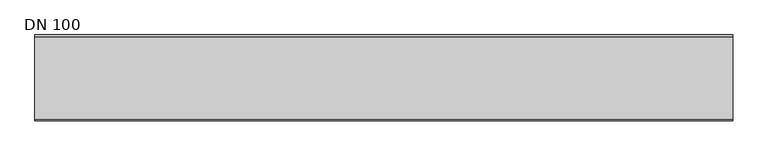
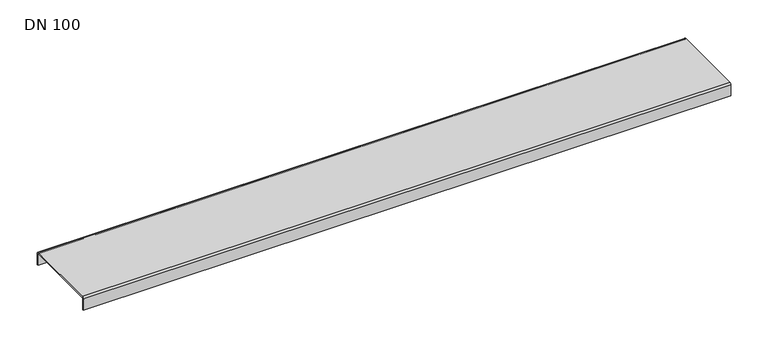
"""IFC4 building model written with IfcOpenShell, lengths in millimetres: sanitary terminal geometry, DN 100."""

from ifc_helpers import new_model, si_unit, point, frame, frame_2d, origin, place, context, project, spatial, polyline, circle_curve, trimmed, segment, composite_curve, outline, extrude, source, transform, mapped, element, save


def dn_100_49be4345(model_context):
    return source(origin(), model_context, "Body", "SweptSolid", [
        extrude(outline(composite_curve([segment(polyline([(61.5, -21.0), (59.5, -21.0), (59.5, -2.5)]), True, "CONTINUOUS"), segment(trimmed(circle_curve(frame_2d((59.0, -2.5)), 0.5), [point((59.5, -2.5))], [point((59.0, -2.0))], True, "CARTESIAN"), True, "CONTINUOUS"), segment(polyline([(59.0, -2.0), (-59.0, -2.0)]), True, "CONTINUOUS"), segment(trimmed(circle_curve(frame_2d((-59.0, -2.5)), 0.5), [point((-59.0, -2.0))], [point((-59.5, -2.5))], True, "CARTESIAN"), True, "CONTINUOUS"), segment(polyline([(-59.5, -2.5), (-59.5, -21.0), (-61.5, -21.0), (-61.5, -2.5)]), True, "CONTINUOUS"), segment(trimmed(circle_curve(frame_2d((-59.0, -2.5)), 2.5), [point((-61.5, -2.5))], [point((-59.0, 0.0))], False, "CARTESIAN"), True, "CONTINUOUS"), segment(polyline([(-59.0, 0.0), (59.0, 0.0)]), True, "CONTINUOUS"), segment(trimmed(circle_curve(frame_2d((59.0, -2.5)), 2.5), [point((59.0, 0.0))], [point((61.5, -2.5))], False, "CARTESIAN"), True, "CONTINUOUS"), segment(polyline([(61.5, -2.5), (61.5, -21.0)]), True, "CONTINUOUS")], self_intersect=False)), frame((0.0, 0.0, 0.0), z_axis=(1.0, 0.0, 0.0), x_axis=(0.0, 1.0, 0.0)), (0.0, 0.0, 1.0), 1000.0),
    ])


if __name__ == "__main__":
    model = new_model("IFC4")
    model_context = context("Model", 3, world=origin())
    ifc_project = project(units=[si_unit("LENGTHUNIT", "METRE", prefix="MILLI")], contexts=[model_context])
    site = spatial("IfcSite", under=ifc_project)
    building = spatial("IfcBuilding", under=site)
    placement = place(None, origin())
    dn_100_shape = dn_100_49be4345(model_context)
    element("IfcSanitaryTerminal", 1, ObjectType="DN 100", at=placement, inside=building, context=model_context, shape_type="MappedRepresentation", body=[
        mapped(dn_100_shape, transform((0.0, 0.0, 0.0), x_axis=(1.0, 0.0, 0.0), y_axis=(0.0, 1.0, 0.0), z_axis=(0.0, 0.0, 1.0))),
    ])
    save(model, "model.ifc")
